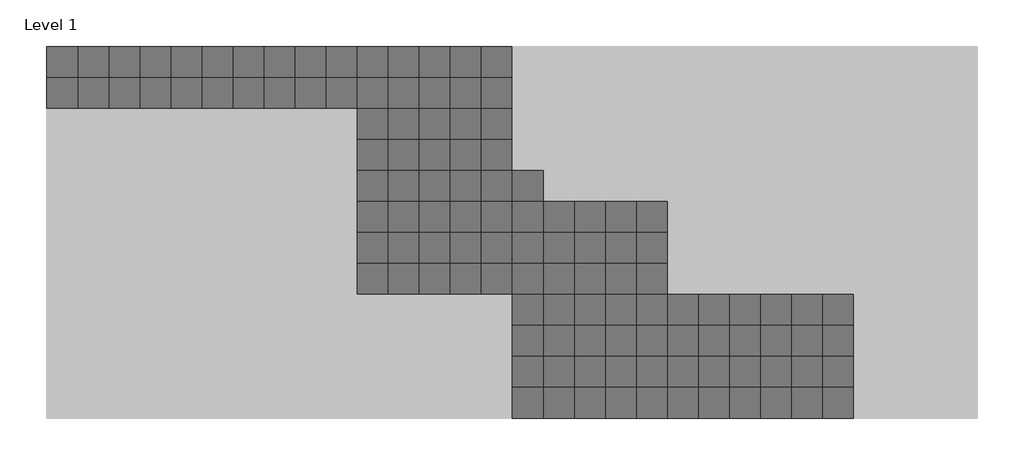
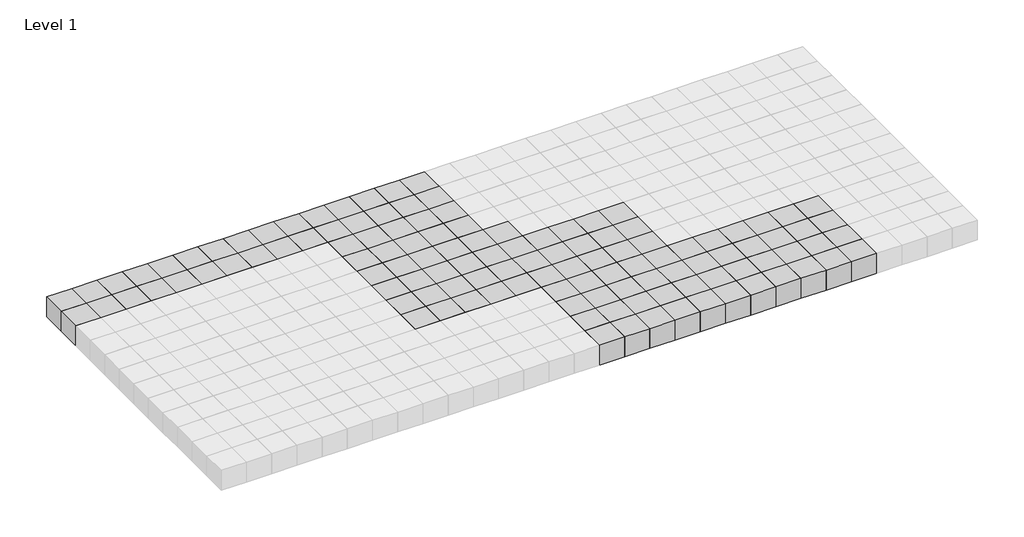
# One storey, part 2 of 3: 120 proxies.
"""IFC4 building model written with IfcOpenShell, lengths in millimetres."""

import ifcopenshell
import ifcopenshell.guid

model = None  # the IFC model being written
_history = None  # IfcOwnerHistory: only IFC2X3 demands one
_inside = {}  # id of a spatial element -> (the spatial element, [elements in it])
_under = {}  # id of a project, library or spatial element -> (it, [spatial elements below it])
_declared = {}  # id of a project -> (the project, [libraries it declares])
_typed = {}  # id of a type object -> (the type object, [elements of that type])
_made_of = {}  # id of a material, layer set ... -> (it, [elements and type objects made of it])


def new_model(schema):
    """Start an empty IFC model of exactly this schema.

    Asked for "IFC4X3", IfcOpenShell would pick the latest addendum, in which some entities
    have other attributes; the version numbers below select the first issue.
    IFC2X3 requires an IfcOwnerHistory on every rooted entity: one is made here for all.
    """
    global model, _history
    if schema == "IFC4X3":
        model = ifcopenshell.file(schema_version=(4, 3, 0, 0))
    else:
        model = ifcopenshell.file(schema=schema)
    _inside.clear()
    _under.clear()
    _declared.clear()
    _typed.clear()
    _made_of.clear()
    _history = None
    if model.schema == "IFC2X3":
        org = make("IfcOrganization", Name="unknown")
        user = make(
            "IfcPersonAndOrganization",
            ThePerson=make("IfcPerson", FamilyName="unknown"),
            TheOrganization=org,
        )
        app = make(
            "IfcApplication",
            ApplicationDeveloper=org,
            Version="unknown",
            ApplicationFullName="unknown",
            ApplicationIdentifier="unknown",
        )
        _history = make(
            "IfcOwnerHistory",
            OwningUser=user,
            OwningApplication=app,
            ChangeAction="ADDED",
            CreationDate=0,
        )
    return model


def make(cls, **values):
    """One entity of the class cls with the attributes given. An attribute that is None is left unset."""
    return model.create_entity(
        cls, **{name: value for name, value in values.items() if value is not None}
    )


def rooted(cls, **values):
    """An entity with a GlobalId (a new one), such as an element, a storey or a relation."""
    return make(cls, GlobalId=ifcopenshell.guid.new(), OwnerHistory=_history, **values)


def si_unit(unit_type, name, prefix=None):
    """IfcSIUnit, for example si_unit("LENGTHUNIT", "METRE", prefix="MILLI")."""
    return make("IfcSIUnit", UnitType=unit_type, Prefix=prefix, Name=name)


def assignment(units):
    """IfcUnitAssignment: the units of a project."""
    return None if units is None else make("IfcUnitAssignment", Units=units)


def point(xyz):
    """IfcCartesianPoint."""
    return None if xyz is None else make("IfcCartesianPoint", Coordinates=xyz)


def direction(xyz):
    """IfcDirection."""
    return None if xyz is None else make("IfcDirection", DirectionRatios=xyz)


def frame(location, z_axis=None, x_axis=None):
    """IfcAxis2Placement3D, a coordinate frame: its origin and axes. An axis left out is left unset."""
    return make(
        "IfcAxis2Placement3D",
        Location=point(location),
        Axis=direction(z_axis),
        RefDirection=direction(x_axis),
    )


def origin():
    """The frame at (0, 0, 0) with its axes left unset."""
    return frame((0.0, 0.0, 0.0))


def origin_with_axes():
    """The frame at (0, 0, 0) with the z axis (0, 0, 1) and the x axis (1, 0, 0) written out."""
    return frame((0.0, 0.0, 0.0), z_axis=(0.0, 0.0, 1.0), x_axis=(1.0, 0.0, 0.0))


def place(relative_to, where):
    """IfcLocalPlacement: puts the frame where relative to a parent placement (None: the world)."""
    return make(
        "IfcLocalPlacement", PlacementRelTo=relative_to, RelativePlacement=where
    )


def context(
    kind, dimensions, precision=None, world=None, true_north=None, identifier=None
):
    """IfcGeometricRepresentationContext, for example the 3D "Model" context."""
    return make(
        "IfcGeometricRepresentationContext",
        ContextIdentifier=identifier,
        ContextType=kind,
        CoordinateSpaceDimension=dimensions,
        Precision=precision,
        WorldCoordinateSystem=world,
        TrueNorth=true_north,
    )


def project(units=None, contexts=None):
    """IfcProject with its units and contexts."""
    return rooted(
        "IfcProject",
        Name="project",
        RepresentationContexts=contexts,
        UnitsInContext=assignment(units),
    )


def spatial(cls, under=None, at=None, **own):
    """A site, building, storey or space (cls), placed at a placement, below another one or the project."""
    s = rooted(cls, ObjectPlacement=at, **own)
    if under is not None:
        _under.setdefault(under.id(), (under, []))[1].append(s)
    return s


def polyline(points):
    """IfcPolyline through the points."""
    return make("IfcPolyline", Points=[point(p) for p in points])


def outline(outer, holes=None, kind="AREA"):
    """IfcArbitraryClosedProfileDef: a profile drawn as a closed curve; with holes, ...WithVoids."""
    if holes is None:
        return make("IfcArbitraryClosedProfileDef", ProfileType=kind, OuterCurve=outer)
    return make(
        "IfcArbitraryProfileDefWithVoids",
        ProfileType=kind,
        OuterCurve=outer,
        InnerCurves=holes,
    )


def extrude(swept, where, along, depth):
    """IfcExtrudedAreaSolid: the profile swept, set in the frame where, extruded along a direction by depth."""
    return make(
        "IfcExtrudedAreaSolid",
        SweptArea=swept,
        Position=where,
        ExtrudedDirection=direction(along),
        Depth=depth,
    )


def shape(context_of_items, identifier, shape_type, items):
    """IfcShapeRepresentation: the items that make up one representation, for example the "Body"."""
    return make(
        "IfcShapeRepresentation",
        ContextOfItems=context_of_items,
        RepresentationIdentifier=identifier,
        RepresentationType=shape_type,
        Items=items,
    )


def source(mapping_origin, context_of_items, identifier, shape_type, items):
    """IfcRepresentationMap: a shape defined once, which mapped items show again and again."""
    return make(
        "IfcRepresentationMap",
        MappingOrigin=mapping_origin,
        MappedRepresentation=shape(context_of_items, identifier, shape_type, items),
    )


def transform(
    local_origin,
    x_axis=None,
    y_axis=None,
    z_axis=None,
    scale=None,
    scale2=None,
    scale3=None,
    uniform=True,
):
    """IfcCartesianTransformationOperator3D, or its non-uniform kind. x_axis, y_axis, z_axis: its Axis1, 2, 3."""
    if uniform:
        return make(
            "IfcCartesianTransformationOperator3D",
            Axis1=direction(x_axis),
            Axis2=direction(y_axis),
            LocalOrigin=point(local_origin),
            Scale=scale,
            Axis3=direction(z_axis),
        )
    return make(
        "IfcCartesianTransformationOperator3DnonUniform",
        Axis1=direction(x_axis),
        Axis2=direction(y_axis),
        LocalOrigin=point(local_origin),
        Scale=scale,
        Axis3=direction(z_axis),
        Scale2=scale2,
        Scale3=scale3,
    )


def mapped(mapping_source, mapping_target):
    """IfcMappedItem: shows the shape of a source again, moved by a transform."""
    return make(
        "IfcMappedItem", MappingSource=mapping_source, MappingTarget=mapping_target
    )


def made_of(thing, what):
    """Note that an element or type object is made of a material, layer set ...; save() writes the relation."""
    if what is not None:
        _made_of.setdefault(what.id(), (what, []))[1].append(thing)
    return thing


def element(
    cls,
    number,
    at=None,
    inside=None,
    cuts=None,
    type_object=None,
    material=None,
    context=None,
    identifier="Body",
    shape_type=None,
    held_by="IfcProductDefinitionShape",
    body=None,
    shapes=None,
    **own,
):
    """One element of the class cls, such as IfcWall. Its Tag is "e" and its number.

    at: its placement. inside: the storey or other place that contains it. cuts: it is an
    opening in that element (IfcRelVoidsElement). A single representation is given by context,
    identifier, shape_type and body (its items); several are given by shapes. held_by: the class
    of the entity that holds the representations. save() writes the other relations.
    """
    e = rooted(cls, Tag="e%d" % number, ObjectPlacement=at, **own)
    if body is not None:
        shapes = [shape(context, identifier, shape_type, body)]
    if shapes is not None:
        e.Representation = make(held_by, Representations=shapes)
    if inside is not None:
        _inside.setdefault(inside.id(), (inside, []))[1].append(e)
    if cuts is not None:
        rooted(
            "IfcRelVoidsElement", RelatingBuildingElement=cuts, RelatedOpeningElement=e
        )
    if type_object is not None:
        _typed.setdefault(type_object.id(), (type_object, []))[1].append(e)
    return made_of(e, material)


def aggregate(whole, parts):
    """IfcRelAggregates: a whole, such as a stair, and the parts it consists of."""
    return rooted("IfcRelAggregates", RelatingObject=whole, RelatedObjects=parts)


def save(model, path):
    """Write the relations noted so far, then the file.

    IfcRelAggregates (storeys below a building ...), IfcRelContainedInSpatialStructure (elements
    in a storey), IfcRelDefinesByType, IfcRelAssociatesMaterial and IfcRelDeclares: one each for
    every whole, place, type object, material and project.
    """
    for whole, parts in _under.values():
        aggregate(whole, parts)
    for where, things in _inside.values():
        rooted(
            "IfcRelContainedInSpatialStructure",
            RelatedElements=things,
            RelatingStructure=where,
        )
    for kind, things in _typed.values():
        rooted("IfcRelDefinesByType", RelatedObjects=things, RelatingType=kind)
    for what, things in _made_of.values():
        rooted("IfcRelAssociatesMaterial", RelatedObjects=things, RelatingMaterial=what)
    for by, libraries in _declared.values():
        rooted("IfcRelDeclares", RelatingContext=by, RelatedDefinitions=libraries)
    model.write(path)


def family1_family1_3ff121e7(model_context):
    return source(origin(), model_context, "Body", "SweptSolid", [
        extrude(outline(polyline([(1500.0, 1500.0), (1500.0, -1500.0), (-1500.0, -1500.0), (-1500.0, 1500.0), (1500.0, 1500.0)])), origin_with_axes(), (0.0, 0.0, 1.0), 2500.0),
    ])


model = new_model("IFC4")

# Units and contexts
model_context = context("Model", 3, world=origin())
ifc_project = project(units=[si_unit("LENGTHUNIT", "METRE", prefix="MILLI")], contexts=[model_context])

# Site, building, storey
site = spatial("IfcSite", under=ifc_project)
building = spatial("IfcBuilding", under=site)
storey = spatial("IfcBuildingStorey", under=building, Name="Level 1", Elevation=0.0)

# Proxies
placement = place(None, origin())
family1_family1_shape = family1_family1_3ff121e7(model_context)
element("IfcBuildingElementProxy", 1, Name="Family1 : Family1", ObjectType="Family1 : Family1", at=placement, inside=storey, context=model_context, shape_type="MappedRepresentation", body=[
    mapped(family1_family1_shape, transform((1230.8235721, 4214.6480914, 0.0), x_axis=(1.0, 0.0, 0.0), y_axis=(0.0, 1.0, 0.0), z_axis=(0.0, 0.0, 1.0))),
])
element("IfcBuildingElementProxy", 2, Name="Family1 : Family1", ObjectType="Family1 : Family1", at=placement, inside=storey, context=model_context, shape_type="MappedRepresentation", body=[
    mapped(family1_family1_shape, transform((4230.8235721, 4214.6480914, 0.0), x_axis=(1.0, 0.0, 0.0), y_axis=(0.0, 1.0, 0.0), z_axis=(0.0, 0.0, 1.0))),
])
element("IfcBuildingElementProxy", 3, Name="Family1 : Family1", ObjectType="Family1 : Family1", at=placement, inside=storey, context=model_context, shape_type="MappedRepresentation", body=[
    mapped(family1_family1_shape, transform((7230.8235721, 4214.6480914, 0.0), x_axis=(1.0, 0.0, 0.0), y_axis=(0.0, 1.0, 0.0), z_axis=(0.0, 0.0, 1.0))),
])
element("IfcBuildingElementProxy", 4, Name="Family1 : Family1", ObjectType="Family1 : Family1", at=placement, inside=storey, context=model_context, shape_type="MappedRepresentation", body=[
    mapped(family1_family1_shape, transform((10230.8235721, 4214.6480914, 0.0), x_axis=(1.0, 0.0, 0.0), y_axis=(0.0, 1.0, 0.0), z_axis=(0.0, 0.0, 1.0))),
])
element("IfcBuildingElementProxy", 5, Name="Family1 : Family1", ObjectType="Family1 : Family1", at=placement, inside=storey, context=model_context, shape_type="MappedRepresentation", body=[
    mapped(family1_family1_shape, transform((13230.8235721, 4214.6480914, 0.0), x_axis=(1.0, 0.0, 0.0), y_axis=(0.0, 1.0, 0.0), z_axis=(0.0, 0.0, 1.0))),
])
element("IfcBuildingElementProxy", 6, Name="Family1 : Family1", ObjectType="Family1 : Family1", at=placement, inside=storey, context=model_context, shape_type="MappedRepresentation", body=[
    mapped(family1_family1_shape, transform((16230.8235721, 4214.6480914, 0.0), x_axis=(1.0, 0.0, 0.0), y_axis=(0.0, 1.0, 0.0), z_axis=(0.0, 0.0, 1.0))),
])
element("IfcBuildingElementProxy", 7, Name="Family1 : Family1", ObjectType="Family1 : Family1", at=placement, inside=storey, context=model_context, shape_type="MappedRepresentation", body=[
    mapped(family1_family1_shape, transform((19230.8235721, 4214.6480914, 0.0), x_axis=(1.0, 0.0, 0.0), y_axis=(0.0, 1.0, 0.0), z_axis=(0.0, 0.0, 1.0))),
])
element("IfcBuildingElementProxy", 8, Name="Family1 : Family1", ObjectType="Family1 : Family1", at=placement, inside=storey, context=model_context, shape_type="MappedRepresentation", body=[
    mapped(family1_family1_shape, transform((22230.8235721, 4214.6480914, 0.0), x_axis=(1.0, 0.0, 0.0), y_axis=(0.0, 1.0, 0.0), z_axis=(0.0, 0.0, 1.0))),
])
element("IfcBuildingElementProxy", 9, Name="Family1 : Family1", ObjectType="Family1 : Family1", at=placement, inside=storey, context=model_context, shape_type="MappedRepresentation", body=[
    mapped(family1_family1_shape, transform((25230.8235721, 4214.6480914, 0.0), x_axis=(1.0, 0.0, 0.0), y_axis=(0.0, 1.0, 0.0), z_axis=(0.0, 0.0, 1.0))),
])
element("IfcBuildingElementProxy", 10, Name="Family1 : Family1", ObjectType="Family1 : Family1", at=placement, inside=storey, context=model_context, shape_type="MappedRepresentation", body=[
    mapped(family1_family1_shape, transform((28230.8235721, 4214.6480914, 0.0), x_axis=(1.0, 0.0, 0.0), y_axis=(0.0, 1.0, 0.0), z_axis=(0.0, 0.0, 1.0))),
])
element("IfcBuildingElementProxy", 11, Name="Family1 : Family1", ObjectType="Family1 : Family1", at=placement, inside=storey, context=model_context, shape_type="MappedRepresentation", body=[
    mapped(family1_family1_shape, transform((31230.8235721, 4214.6480914, 0.0), x_axis=(1.0, 0.0, 0.0), y_axis=(0.0, 1.0, 0.0), z_axis=(0.0, 0.0, 1.0))),
])
element("IfcBuildingElementProxy", 12, Name="Family1 : Family1", ObjectType="Family1 : Family1", at=placement, inside=storey, context=model_context, shape_type="MappedRepresentation", body=[
    mapped(family1_family1_shape, transform((1230.8235721, 7214.6480914, 0.0), x_axis=(1.0, 0.0, 0.0), y_axis=(0.0, 1.0, 0.0), z_axis=(0.0, 0.0, 1.0))),
])
element("IfcBuildingElementProxy", 13, Name="Family1 : Family1", ObjectType="Family1 : Family1", at=placement, inside=storey, context=model_context, shape_type="MappedRepresentation", body=[
    mapped(family1_family1_shape, transform((4230.8235721, 7214.6480914, 0.0), x_axis=(1.0, 0.0, 0.0), y_axis=(0.0, 1.0, 0.0), z_axis=(0.0, 0.0, 1.0))),
])
element("IfcBuildingElementProxy", 14, Name="Family1 : Family1", ObjectType="Family1 : Family1", at=placement, inside=storey, context=model_context, shape_type="MappedRepresentation", body=[
    mapped(family1_family1_shape, transform((7230.8235721, 7214.6480914, 0.0), x_axis=(1.0, 0.0, 0.0), y_axis=(0.0, 1.0, 0.0), z_axis=(0.0, 0.0, 1.0))),
])
element("IfcBuildingElementProxy", 15, Name="Family1 : Family1", ObjectType="Family1 : Family1", at=placement, inside=storey, context=model_context, shape_type="MappedRepresentation", body=[
    mapped(family1_family1_shape, transform((10230.8235721, 7214.6480914, 0.0), x_axis=(1.0, 0.0, 0.0), y_axis=(0.0, 1.0, 0.0), z_axis=(0.0, 0.0, 1.0))),
])
element("IfcBuildingElementProxy", 16, Name="Family1 : Family1", ObjectType="Family1 : Family1", at=placement, inside=storey, context=model_context, shape_type="MappedRepresentation", body=[
    mapped(family1_family1_shape, transform((13230.8235721, 7214.6480914, 0.0), x_axis=(1.0, 0.0, 0.0), y_axis=(0.0, 1.0, 0.0), z_axis=(0.0, 0.0, 1.0))),
])
element("IfcBuildingElementProxy", 17, Name="Family1 : Family1", ObjectType="Family1 : Family1", at=placement, inside=storey, context=model_context, shape_type="MappedRepresentation", body=[
    mapped(family1_family1_shape, transform((16230.8235721, 7214.6480914, 0.0), x_axis=(1.0, 0.0, 0.0), y_axis=(0.0, 1.0, 0.0), z_axis=(0.0, 0.0, 1.0))),
])
element("IfcBuildingElementProxy", 18, Name="Family1 : Family1", ObjectType="Family1 : Family1", at=placement, inside=storey, context=model_context, shape_type="MappedRepresentation", body=[
    mapped(family1_family1_shape, transform((19230.8235721, 7214.6480914, 0.0), x_axis=(1.0, 0.0, 0.0), y_axis=(0.0, 1.0, 0.0), z_axis=(0.0, 0.0, 1.0))),
])
element("IfcBuildingElementProxy", 19, Name="Family1 : Family1", ObjectType="Family1 : Family1", at=placement, inside=storey, context=model_context, shape_type="MappedRepresentation", body=[
    mapped(family1_family1_shape, transform((22230.8235721, 7214.6480914, 0.0), x_axis=(1.0, 0.0, 0.0), y_axis=(0.0, 1.0, 0.0), z_axis=(0.0, 0.0, 1.0))),
])
element("IfcBuildingElementProxy", 20, Name="Family1 : Family1", ObjectType="Family1 : Family1", at=placement, inside=storey, context=model_context, shape_type="MappedRepresentation", body=[
    mapped(family1_family1_shape, transform((25230.8235721, 7214.6480914, 0.0), x_axis=(1.0, 0.0, 0.0), y_axis=(0.0, 1.0, 0.0), z_axis=(0.0, 0.0, 1.0))),
])
element("IfcBuildingElementProxy", 21, Name="Family1 : Family1", ObjectType="Family1 : Family1", at=placement, inside=storey, context=model_context, shape_type="MappedRepresentation", body=[
    mapped(family1_family1_shape, transform((28230.8235721, 7214.6480914, 0.0), x_axis=(1.0, 0.0, 0.0), y_axis=(0.0, 1.0, 0.0), z_axis=(0.0, 0.0, 1.0))),
])
element("IfcBuildingElementProxy", 22, Name="Family1 : Family1", ObjectType="Family1 : Family1", at=placement, inside=storey, context=model_context, shape_type="MappedRepresentation", body=[
    mapped(family1_family1_shape, transform((31230.8235721, 7214.6480914, 0.0), x_axis=(1.0, 0.0, 0.0), y_axis=(0.0, 1.0, 0.0), z_axis=(0.0, 0.0, 1.0))),
])
element("IfcBuildingElementProxy", 23, Name="Family1 : Family1", ObjectType="Family1 : Family1", at=placement, inside=storey, context=model_context, shape_type="MappedRepresentation", body=[
    mapped(family1_family1_shape, transform((1230.8235721, 10214.6480914, 0.0), x_axis=(1.0, 0.0, 0.0), y_axis=(0.0, 1.0, 0.0), z_axis=(0.0, 0.0, 1.0))),
])
element("IfcBuildingElementProxy", 24, Name="Family1 : Family1", ObjectType="Family1 : Family1", at=placement, inside=storey, context=model_context, shape_type="MappedRepresentation", body=[
    mapped(family1_family1_shape, transform((4230.8235721, 10214.6480914, 0.0), x_axis=(1.0, 0.0, 0.0), y_axis=(0.0, 1.0, 0.0), z_axis=(0.0, 0.0, 1.0))),
])
element("IfcBuildingElementProxy", 25, Name="Family1 : Family1", ObjectType="Family1 : Family1", at=placement, inside=storey, context=model_context, shape_type="MappedRepresentation", body=[
    mapped(family1_family1_shape, transform((7230.8235721, 10214.6480914, 0.0), x_axis=(1.0, 0.0, 0.0), y_axis=(0.0, 1.0, 0.0), z_axis=(0.0, 0.0, 1.0))),
])
element("IfcBuildingElementProxy", 26, Name="Family1 : Family1", ObjectType="Family1 : Family1", at=placement, inside=storey, context=model_context, shape_type="MappedRepresentation", body=[
    mapped(family1_family1_shape, transform((10230.8235721, 10214.6480914, 0.0), x_axis=(1.0, 0.0, 0.0), y_axis=(0.0, 1.0, 0.0), z_axis=(0.0, 0.0, 1.0))),
])
element("IfcBuildingElementProxy", 27, Name="Family1 : Family1", ObjectType="Family1 : Family1", at=placement, inside=storey, context=model_context, shape_type="MappedRepresentation", body=[
    mapped(family1_family1_shape, transform((13230.8235721, 10214.6480914, 0.0), x_axis=(1.0, 0.0, 0.0), y_axis=(0.0, 1.0, 0.0), z_axis=(0.0, 0.0, 1.0))),
])
element("IfcBuildingElementProxy", 28, Name="Family1 : Family1", ObjectType="Family1 : Family1", at=placement, inside=storey, context=model_context, shape_type="MappedRepresentation", body=[
    mapped(family1_family1_shape, transform((16230.8235721, 10214.6480914, 0.0), x_axis=(1.0, 0.0, 0.0), y_axis=(0.0, 1.0, 0.0), z_axis=(0.0, 0.0, 1.0))),
])
element("IfcBuildingElementProxy", 29, Name="Family1 : Family1", ObjectType="Family1 : Family1", at=placement, inside=storey, context=model_context, shape_type="MappedRepresentation", body=[
    mapped(family1_family1_shape, transform((19230.8235721, 10214.6480914, 0.0), x_axis=(1.0, 0.0, 0.0), y_axis=(0.0, 1.0, 0.0), z_axis=(0.0, 0.0, 1.0))),
])
element("IfcBuildingElementProxy", 30, Name="Family1 : Family1", ObjectType="Family1 : Family1", at=placement, inside=storey, context=model_context, shape_type="MappedRepresentation", body=[
    mapped(family1_family1_shape, transform((22230.8235721, 10214.6480914, 0.0), x_axis=(1.0, 0.0, 0.0), y_axis=(0.0, 1.0, 0.0), z_axis=(0.0, 0.0, 1.0))),
])
element("IfcBuildingElementProxy", 31, Name="Family1 : Family1", ObjectType="Family1 : Family1", at=placement, inside=storey, context=model_context, shape_type="MappedRepresentation", body=[
    mapped(family1_family1_shape, transform((25230.8235721, 10214.6480914, 0.0), x_axis=(1.0, 0.0, 0.0), y_axis=(0.0, 1.0, 0.0), z_axis=(0.0, 0.0, 1.0))),
])
element("IfcBuildingElementProxy", 32, Name="Family1 : Family1", ObjectType="Family1 : Family1", at=placement, inside=storey, context=model_context, shape_type="MappedRepresentation", body=[
    mapped(family1_family1_shape, transform((28230.8235721, 10214.6480914, 0.0), x_axis=(1.0, 0.0, 0.0), y_axis=(0.0, 1.0, 0.0), z_axis=(0.0, 0.0, 1.0))),
])
element("IfcBuildingElementProxy", 33, Name="Family1 : Family1", ObjectType="Family1 : Family1", at=placement, inside=storey, context=model_context, shape_type="MappedRepresentation", body=[
    mapped(family1_family1_shape, transform((31230.8235721, 10214.6480914, 0.0), x_axis=(1.0, 0.0, 0.0), y_axis=(0.0, 1.0, 0.0), z_axis=(0.0, 0.0, 1.0))),
])
element("IfcBuildingElementProxy", 34, Name="Family1 : Family1", ObjectType="Family1 : Family1", at=placement, inside=storey, context=model_context, shape_type="MappedRepresentation", body=[
    mapped(family1_family1_shape, transform((1230.8235721, 13214.6480914, 0.0), x_axis=(1.0, 0.0, 0.0), y_axis=(0.0, 1.0, 0.0), z_axis=(0.0, 0.0, 1.0))),
])
element("IfcBuildingElementProxy", 35, Name="Family1 : Family1", ObjectType="Family1 : Family1", at=placement, inside=storey, context=model_context, shape_type="MappedRepresentation", body=[
    mapped(family1_family1_shape, transform((4230.8235721, 13214.6480914, 0.0), x_axis=(1.0, 0.0, 0.0), y_axis=(0.0, 1.0, 0.0), z_axis=(0.0, 0.0, 1.0))),
])
element("IfcBuildingElementProxy", 36, Name="Family1 : Family1", ObjectType="Family1 : Family1", at=placement, inside=storey, context=model_context, shape_type="MappedRepresentation", body=[
    mapped(family1_family1_shape, transform((7230.8235721, 13214.6480914, 0.0), x_axis=(1.0, 0.0, 0.0), y_axis=(0.0, 1.0, 0.0), z_axis=(0.0, 0.0, 1.0))),
])
element("IfcBuildingElementProxy", 37, Name="Family1 : Family1", ObjectType="Family1 : Family1", at=placement, inside=storey, context=model_context, shape_type="MappedRepresentation", body=[
    mapped(family1_family1_shape, transform((10230.8235721, 13214.6480914, 0.0), x_axis=(1.0, 0.0, 0.0), y_axis=(0.0, 1.0, 0.0), z_axis=(0.0, 0.0, 1.0))),
])
element("IfcBuildingElementProxy", 38, Name="Family1 : Family1", ObjectType="Family1 : Family1", at=placement, inside=storey, context=model_context, shape_type="MappedRepresentation", body=[
    mapped(family1_family1_shape, transform((13230.8235721, 13214.6480914, 0.0), x_axis=(1.0, 0.0, 0.0), y_axis=(0.0, 1.0, 0.0), z_axis=(0.0, 0.0, 1.0))),
])
element("IfcBuildingElementProxy", 39, Name="Family1 : Family1", ObjectType="Family1 : Family1", at=placement, inside=storey, context=model_context, shape_type="MappedRepresentation", body=[
    mapped(family1_family1_shape, transform((16230.8235721, 13214.6480914, 0.0), x_axis=(1.0, 0.0, 0.0), y_axis=(0.0, 1.0, 0.0), z_axis=(0.0, 0.0, 1.0))),
])
element("IfcBuildingElementProxy", 40, Name="Family1 : Family1", ObjectType="Family1 : Family1", at=placement, inside=storey, context=model_context, shape_type="MappedRepresentation", body=[
    mapped(family1_family1_shape, transform((19230.8235721, 13214.6480914, 0.0), x_axis=(1.0, 0.0, 0.0), y_axis=(0.0, 1.0, 0.0), z_axis=(0.0, 0.0, 1.0))),
])
element("IfcBuildingElementProxy", 41, Name="Family1 : Family1", ObjectType="Family1 : Family1", at=placement, inside=storey, context=model_context, shape_type="MappedRepresentation", body=[
    mapped(family1_family1_shape, transform((22230.8235721, 13214.6480914, 0.0), x_axis=(1.0, 0.0, 0.0), y_axis=(0.0, 1.0, 0.0), z_axis=(0.0, 0.0, 1.0))),
])
element("IfcBuildingElementProxy", 42, Name="Family1 : Family1", ObjectType="Family1 : Family1", at=placement, inside=storey, context=model_context, shape_type="MappedRepresentation", body=[
    mapped(family1_family1_shape, transform((25230.8235721, 13214.6480914, 0.0), x_axis=(1.0, 0.0, 0.0), y_axis=(0.0, 1.0, 0.0), z_axis=(0.0, 0.0, 1.0))),
])
element("IfcBuildingElementProxy", 43, Name="Family1 : Family1", ObjectType="Family1 : Family1", at=placement, inside=storey, context=model_context, shape_type="MappedRepresentation", body=[
    mapped(family1_family1_shape, transform((28230.8235721, 13214.6480914, 0.0), x_axis=(1.0, 0.0, 0.0), y_axis=(0.0, 1.0, 0.0), z_axis=(0.0, 0.0, 1.0))),
])
element("IfcBuildingElementProxy", 44, Name="Family1 : Family1", ObjectType="Family1 : Family1", at=placement, inside=storey, context=model_context, shape_type="MappedRepresentation", body=[
    mapped(family1_family1_shape, transform((31230.8235721, 13214.6480914, 0.0), x_axis=(1.0, 0.0, 0.0), y_axis=(0.0, 1.0, 0.0), z_axis=(0.0, 0.0, 1.0))),
])
element("IfcBuildingElementProxy", 45, Name="Family1 : Family1", ObjectType="Family1 : Family1", at=placement, inside=storey, context=model_context, shape_type="MappedRepresentation", body=[
    mapped(family1_family1_shape, transform((-13769.1764279, 16214.6480914, 0.0), x_axis=(1.0, 0.0, 0.0), y_axis=(0.0, 1.0, 0.0), z_axis=(0.0, 0.0, 1.0))),
])
element("IfcBuildingElementProxy", 46, Name="Family1 : Family1", ObjectType="Family1 : Family1", at=placement, inside=storey, context=model_context, shape_type="MappedRepresentation", body=[
    mapped(family1_family1_shape, transform((-10769.1764279, 16214.6480914, 0.0), x_axis=(1.0, 0.0, 0.0), y_axis=(0.0, 1.0, 0.0), z_axis=(0.0, 0.0, 1.0))),
])
element("IfcBuildingElementProxy", 47, Name="Family1 : Family1", ObjectType="Family1 : Family1", at=placement, inside=storey, context=model_context, shape_type="MappedRepresentation", body=[
    mapped(family1_family1_shape, transform((-7769.1764279, 16214.6480914, 0.0), x_axis=(1.0, 0.0, 0.0), y_axis=(0.0, 1.0, 0.0), z_axis=(0.0, 0.0, 1.0))),
])
element("IfcBuildingElementProxy", 48, Name="Family1 : Family1", ObjectType="Family1 : Family1", at=placement, inside=storey, context=model_context, shape_type="MappedRepresentation", body=[
    mapped(family1_family1_shape, transform((-4769.1764279, 16214.6480914, 0.0), x_axis=(1.0, 0.0, 0.0), y_axis=(0.0, 1.0, 0.0), z_axis=(0.0, 0.0, 1.0))),
])
element("IfcBuildingElementProxy", 49, Name="Family1 : Family1", ObjectType="Family1 : Family1", at=placement, inside=storey, context=model_context, shape_type="MappedRepresentation", body=[
    mapped(family1_family1_shape, transform((-1769.1764279, 16214.6480914, 0.0), x_axis=(1.0, 0.0, 0.0), y_axis=(0.0, 1.0, 0.0), z_axis=(0.0, 0.0, 1.0))),
])
element("IfcBuildingElementProxy", 50, Name="Family1 : Family1", ObjectType="Family1 : Family1", at=placement, inside=storey, context=model_context, shape_type="MappedRepresentation", body=[
    mapped(family1_family1_shape, transform((1230.8235721, 16214.6480914, 0.0), x_axis=(1.0, 0.0, 0.0), y_axis=(0.0, 1.0, 0.0), z_axis=(0.0, 0.0, 1.0))),
])
element("IfcBuildingElementProxy", 51, Name="Family1 : Family1", ObjectType="Family1 : Family1", at=placement, inside=storey, context=model_context, shape_type="MappedRepresentation", body=[
    mapped(family1_family1_shape, transform((4230.8235721, 16214.6480914, 0.0), x_axis=(1.0, 0.0, 0.0), y_axis=(0.0, 1.0, 0.0), z_axis=(0.0, 0.0, 1.0))),
])
element("IfcBuildingElementProxy", 52, Name="Family1 : Family1", ObjectType="Family1 : Family1", at=placement, inside=storey, context=model_context, shape_type="MappedRepresentation", body=[
    mapped(family1_family1_shape, transform((7230.8235721, 16214.6480914, 0.0), x_axis=(1.0, 0.0, 0.0), y_axis=(0.0, 1.0, 0.0), z_axis=(0.0, 0.0, 1.0))),
])
element("IfcBuildingElementProxy", 53, Name="Family1 : Family1", ObjectType="Family1 : Family1", at=placement, inside=storey, context=model_context, shape_type="MappedRepresentation", body=[
    mapped(family1_family1_shape, transform((10230.8235721, 16214.6480914, 0.0), x_axis=(1.0, 0.0, 0.0), y_axis=(0.0, 1.0, 0.0), z_axis=(0.0, 0.0, 1.0))),
])
element("IfcBuildingElementProxy", 54, Name="Family1 : Family1", ObjectType="Family1 : Family1", at=placement, inside=storey, context=model_context, shape_type="MappedRepresentation", body=[
    mapped(family1_family1_shape, transform((13230.8235721, 16214.6480914, 0.0), x_axis=(1.0, 0.0, 0.0), y_axis=(0.0, 1.0, 0.0), z_axis=(0.0, 0.0, 1.0))),
])
element("IfcBuildingElementProxy", 55, Name="Family1 : Family1", ObjectType="Family1 : Family1", at=placement, inside=storey, context=model_context, shape_type="MappedRepresentation", body=[
    mapped(family1_family1_shape, transform((-13769.1764279, 19214.6480914, 0.0), x_axis=(1.0, 0.0, 0.0), y_axis=(0.0, 1.0, 0.0), z_axis=(0.0, 0.0, 1.0))),
])
element("IfcBuildingElementProxy", 56, Name="Family1 : Family1", ObjectType="Family1 : Family1", at=placement, inside=storey, context=model_context, shape_type="MappedRepresentation", body=[
    mapped(family1_family1_shape, transform((-10769.1764279, 19214.6480914, 0.0), x_axis=(1.0, 0.0, 0.0), y_axis=(0.0, 1.0, 0.0), z_axis=(0.0, 0.0, 1.0))),
])
element("IfcBuildingElementProxy", 57, Name="Family1 : Family1", ObjectType="Family1 : Family1", at=placement, inside=storey, context=model_context, shape_type="MappedRepresentation", body=[
    mapped(family1_family1_shape, transform((-7769.1764279, 19214.6480914, 0.0), x_axis=(1.0, 0.0, 0.0), y_axis=(0.0, 1.0, 0.0), z_axis=(0.0, 0.0, 1.0))),
])
element("IfcBuildingElementProxy", 58, Name="Family1 : Family1", ObjectType="Family1 : Family1", at=placement, inside=storey, context=model_context, shape_type="MappedRepresentation", body=[
    mapped(family1_family1_shape, transform((-4769.1764279, 19214.6480914, 0.0), x_axis=(1.0, 0.0, 0.0), y_axis=(0.0, 1.0, 0.0), z_axis=(0.0, 0.0, 1.0))),
])
element("IfcBuildingElementProxy", 59, Name="Family1 : Family1", ObjectType="Family1 : Family1", at=placement, inside=storey, context=model_context, shape_type="MappedRepresentation", body=[
    mapped(family1_family1_shape, transform((-1769.1764279, 19214.6480914, 0.0), x_axis=(1.0, 0.0, 0.0), y_axis=(0.0, 1.0, 0.0), z_axis=(0.0, 0.0, 1.0))),
])
element("IfcBuildingElementProxy", 60, Name="Family1 : Family1", ObjectType="Family1 : Family1", at=placement, inside=storey, context=model_context, shape_type="MappedRepresentation", body=[
    mapped(family1_family1_shape, transform((1230.8235721, 19214.6480914, 0.0), x_axis=(1.0, 0.0, 0.0), y_axis=(0.0, 1.0, 0.0), z_axis=(0.0, 0.0, 1.0))),
])
element("IfcBuildingElementProxy", 61, Name="Family1 : Family1", ObjectType="Family1 : Family1", at=placement, inside=storey, context=model_context, shape_type="MappedRepresentation", body=[
    mapped(family1_family1_shape, transform((4230.8235721, 19214.6480914, 0.0), x_axis=(1.0, 0.0, 0.0), y_axis=(0.0, 1.0, 0.0), z_axis=(0.0, 0.0, 1.0))),
])
element("IfcBuildingElementProxy", 62, Name="Family1 : Family1", ObjectType="Family1 : Family1", at=placement, inside=storey, context=model_context, shape_type="MappedRepresentation", body=[
    mapped(family1_family1_shape, transform((7230.8235721, 19214.6480914, 0.0), x_axis=(1.0, 0.0, 0.0), y_axis=(0.0, 1.0, 0.0), z_axis=(0.0, 0.0, 1.0))),
])
element("IfcBuildingElementProxy", 63, Name="Family1 : Family1", ObjectType="Family1 : Family1", at=placement, inside=storey, context=model_context, shape_type="MappedRepresentation", body=[
    mapped(family1_family1_shape, transform((10230.8235721, 19214.6480914, 0.0), x_axis=(1.0, 0.0, 0.0), y_axis=(0.0, 1.0, 0.0), z_axis=(0.0, 0.0, 1.0))),
])
element("IfcBuildingElementProxy", 64, Name="Family1 : Family1", ObjectType="Family1 : Family1", at=placement, inside=storey, context=model_context, shape_type="MappedRepresentation", body=[
    mapped(family1_family1_shape, transform((13230.8235721, 19214.6480914, 0.0), x_axis=(1.0, 0.0, 0.0), y_axis=(0.0, 1.0, 0.0), z_axis=(0.0, 0.0, 1.0))),
])
element("IfcBuildingElementProxy", 65, Name="Family1 : Family1", ObjectType="Family1 : Family1", at=placement, inside=storey, context=model_context, shape_type="MappedRepresentation", body=[
    mapped(family1_family1_shape, transform((-13769.1764279, 22214.6480914, 0.0), x_axis=(1.0, 0.0, 0.0), y_axis=(0.0, 1.0, 0.0), z_axis=(0.0, 0.0, 1.0))),
])
element("IfcBuildingElementProxy", 66, Name="Family1 : Family1", ObjectType="Family1 : Family1", at=placement, inside=storey, context=model_context, shape_type="MappedRepresentation", body=[
    mapped(family1_family1_shape, transform((-10769.1764279, 22214.6480914, 0.0), x_axis=(1.0, 0.0, 0.0), y_axis=(0.0, 1.0, 0.0), z_axis=(0.0, 0.0, 1.0))),
])
element("IfcBuildingElementProxy", 67, Name="Family1 : Family1", ObjectType="Family1 : Family1", at=placement, inside=storey, context=model_context, shape_type="MappedRepresentation", body=[
    mapped(family1_family1_shape, transform((-7769.1764279, 22214.6480914, 0.0), x_axis=(1.0, 0.0, 0.0), y_axis=(0.0, 1.0, 0.0), z_axis=(0.0, 0.0, 1.0))),
])
element("IfcBuildingElementProxy", 68, Name="Family1 : Family1", ObjectType="Family1 : Family1", at=placement, inside=storey, context=model_context, shape_type="MappedRepresentation", body=[
    mapped(family1_family1_shape, transform((-4769.1764279, 22214.6480914, 0.0), x_axis=(1.0, 0.0, 0.0), y_axis=(0.0, 1.0, 0.0), z_axis=(0.0, 0.0, 1.0))),
])
element("IfcBuildingElementProxy", 69, Name="Family1 : Family1", ObjectType="Family1 : Family1", at=placement, inside=storey, context=model_context, shape_type="MappedRepresentation", body=[
    mapped(family1_family1_shape, transform((-1769.1764279, 22214.6480914, 0.0), x_axis=(1.0, 0.0, 0.0), y_axis=(0.0, 1.0, 0.0), z_axis=(0.0, 0.0, 1.0))),
])
element("IfcBuildingElementProxy", 70, Name="Family1 : Family1", ObjectType="Family1 : Family1", at=placement, inside=storey, context=model_context, shape_type="MappedRepresentation", body=[
    mapped(family1_family1_shape, transform((1230.8235721, 22214.6480914, 0.0), x_axis=(1.0, 0.0, 0.0), y_axis=(0.0, 1.0, 0.0), z_axis=(0.0, 0.0, 1.0))),
])
element("IfcBuildingElementProxy", 71, Name="Family1 : Family1", ObjectType="Family1 : Family1", at=placement, inside=storey, context=model_context, shape_type="MappedRepresentation", body=[
    mapped(family1_family1_shape, transform((4230.8235721, 22214.6480914, 0.0), x_axis=(1.0, 0.0, 0.0), y_axis=(0.0, 1.0, 0.0), z_axis=(0.0, 0.0, 1.0))),
])
element("IfcBuildingElementProxy", 72, Name="Family1 : Family1", ObjectType="Family1 : Family1", at=placement, inside=storey, context=model_context, shape_type="MappedRepresentation", body=[
    mapped(family1_family1_shape, transform((7230.8235721, 22214.6480914, 0.0), x_axis=(1.0, 0.0, 0.0), y_axis=(0.0, 1.0, 0.0), z_axis=(0.0, 0.0, 1.0))),
])
element("IfcBuildingElementProxy", 73, Name="Family1 : Family1", ObjectType="Family1 : Family1", at=placement, inside=storey, context=model_context, shape_type="MappedRepresentation", body=[
    mapped(family1_family1_shape, transform((10230.8235721, 22214.6480914, 0.0), x_axis=(1.0, 0.0, 0.0), y_axis=(0.0, 1.0, 0.0), z_axis=(0.0, 0.0, 1.0))),
])
element("IfcBuildingElementProxy", 74, Name="Family1 : Family1", ObjectType="Family1 : Family1", at=placement, inside=storey, context=model_context, shape_type="MappedRepresentation", body=[
    mapped(family1_family1_shape, transform((13230.8235721, 22214.6480914, 0.0), x_axis=(1.0, 0.0, 0.0), y_axis=(0.0, 1.0, 0.0), z_axis=(0.0, 0.0, 1.0))),
])
element("IfcBuildingElementProxy", 75, Name="Family1 : Family1", ObjectType="Family1 : Family1", at=placement, inside=storey, context=model_context, shape_type="MappedRepresentation", body=[
    mapped(family1_family1_shape, transform((-13769.1764279, 25214.6480914, 0.0), x_axis=(1.0, 0.0, 0.0), y_axis=(0.0, 1.0, 0.0), z_axis=(0.0, 0.0, 1.0))),
])
element("IfcBuildingElementProxy", 76, Name="Family1 : Family1", ObjectType="Family1 : Family1", at=placement, inside=storey, context=model_context, shape_type="MappedRepresentation", body=[
    mapped(family1_family1_shape, transform((-10769.1764279, 25214.6480914, 0.0), x_axis=(1.0, 0.0, 0.0), y_axis=(0.0, 1.0, 0.0), z_axis=(0.0, 0.0, 1.0))),
])
element("IfcBuildingElementProxy", 77, Name="Family1 : Family1", ObjectType="Family1 : Family1", at=placement, inside=storey, context=model_context, shape_type="MappedRepresentation", body=[
    mapped(family1_family1_shape, transform((-7769.1764279, 25214.6480914, 0.0), x_axis=(1.0, 0.0, 0.0), y_axis=(0.0, 1.0, 0.0), z_axis=(0.0, 0.0, 1.0))),
])
element("IfcBuildingElementProxy", 78, Name="Family1 : Family1", ObjectType="Family1 : Family1", at=placement, inside=storey, context=model_context, shape_type="MappedRepresentation", body=[
    mapped(family1_family1_shape, transform((-4769.1764279, 25214.6480914, 0.0), x_axis=(1.0, 0.0, 0.0), y_axis=(0.0, 1.0, 0.0), z_axis=(0.0, 0.0, 1.0))),
])
element("IfcBuildingElementProxy", 79, Name="Family1 : Family1", ObjectType="Family1 : Family1", at=placement, inside=storey, context=model_context, shape_type="MappedRepresentation", body=[
    mapped(family1_family1_shape, transform((-1769.1764279, 25214.6480914, 0.0), x_axis=(1.0, 0.0, 0.0), y_axis=(0.0, 1.0, 0.0), z_axis=(0.0, 0.0, 1.0))),
])
element("IfcBuildingElementProxy", 80, Name="Family1 : Family1", ObjectType="Family1 : Family1", at=placement, inside=storey, context=model_context, shape_type="MappedRepresentation", body=[
    mapped(family1_family1_shape, transform((1230.8235721, 25214.6480914, 0.0), x_axis=(1.0, 0.0, 0.0), y_axis=(0.0, 1.0, 0.0), z_axis=(0.0, 0.0, 1.0))),
])
element("IfcBuildingElementProxy", 81, Name="Family1 : Family1", ObjectType="Family1 : Family1", at=placement, inside=storey, context=model_context, shape_type="MappedRepresentation", body=[
    mapped(family1_family1_shape, transform((-13769.1764279, 28214.6480914, 0.0), x_axis=(1.0, 0.0, 0.0), y_axis=(0.0, 1.0, 0.0), z_axis=(0.0, 0.0, 1.0))),
])
element("IfcBuildingElementProxy", 82, Name="Family1 : Family1", ObjectType="Family1 : Family1", at=placement, inside=storey, context=model_context, shape_type="MappedRepresentation", body=[
    mapped(family1_family1_shape, transform((-10769.1764279, 28214.6480914, 0.0), x_axis=(1.0, 0.0, 0.0), y_axis=(0.0, 1.0, 0.0), z_axis=(0.0, 0.0, 1.0))),
])
element("IfcBuildingElementProxy", 83, Name="Family1 : Family1", ObjectType="Family1 : Family1", at=placement, inside=storey, context=model_context, shape_type="MappedRepresentation", body=[
    mapped(family1_family1_shape, transform((-7769.1764279, 28214.6480914, 0.0), x_axis=(1.0, 0.0, 0.0), y_axis=(0.0, 1.0, 0.0), z_axis=(0.0, 0.0, 1.0))),
])
element("IfcBuildingElementProxy", 84, Name="Family1 : Family1", ObjectType="Family1 : Family1", at=placement, inside=storey, context=model_context, shape_type="MappedRepresentation", body=[
    mapped(family1_family1_shape, transform((-4769.1764279, 28214.6480914, 0.0), x_axis=(1.0, 0.0, 0.0), y_axis=(0.0, 1.0, 0.0), z_axis=(0.0, 0.0, 1.0))),
])
element("IfcBuildingElementProxy", 85, Name="Family1 : Family1", ObjectType="Family1 : Family1", at=placement, inside=storey, context=model_context, shape_type="MappedRepresentation", body=[
    mapped(family1_family1_shape, transform((-1769.1764279, 28214.6480914, 0.0), x_axis=(1.0, 0.0, 0.0), y_axis=(0.0, 1.0, 0.0), z_axis=(0.0, 0.0, 1.0))),
])
element("IfcBuildingElementProxy", 86, Name="Family1 : Family1", ObjectType="Family1 : Family1", at=placement, inside=storey, context=model_context, shape_type="MappedRepresentation", body=[
    mapped(family1_family1_shape, transform((-13769.1764279, 31214.6480914, 0.0), x_axis=(1.0, 0.0, 0.0), y_axis=(0.0, 1.0, 0.0), z_axis=(0.0, 0.0, 1.0))),
])
element("IfcBuildingElementProxy", 87, Name="Family1 : Family1", ObjectType="Family1 : Family1", at=placement, inside=storey, context=model_context, shape_type="MappedRepresentation", body=[
    mapped(family1_family1_shape, transform((-10769.1764279, 31214.6480914, 0.0), x_axis=(1.0, 0.0, 0.0), y_axis=(0.0, 1.0, 0.0), z_axis=(0.0, 0.0, 1.0))),
])
element("IfcBuildingElementProxy", 88, Name="Family1 : Family1", ObjectType="Family1 : Family1", at=placement, inside=storey, context=model_context, shape_type="MappedRepresentation", body=[
    mapped(family1_family1_shape, transform((-7769.1764279, 31214.6480914, 0.0), x_axis=(1.0, 0.0, 0.0), y_axis=(0.0, 1.0, 0.0), z_axis=(0.0, 0.0, 1.0))),
])
element("IfcBuildingElementProxy", 89, Name="Family1 : Family1", ObjectType="Family1 : Family1", at=placement, inside=storey, context=model_context, shape_type="MappedRepresentation", body=[
    mapped(family1_family1_shape, transform((-4769.1764279, 31214.6480914, 0.0), x_axis=(1.0, 0.0, 0.0), y_axis=(0.0, 1.0, 0.0), z_axis=(0.0, 0.0, 1.0))),
])
element("IfcBuildingElementProxy", 90, Name="Family1 : Family1", ObjectType="Family1 : Family1", at=placement, inside=storey, context=model_context, shape_type="MappedRepresentation", body=[
    mapped(family1_family1_shape, transform((-1769.1764279, 31214.6480914, 0.0), x_axis=(1.0, 0.0, 0.0), y_axis=(0.0, 1.0, 0.0), z_axis=(0.0, 0.0, 1.0))),
])
element("IfcBuildingElementProxy", 91, Name="Family1 : Family1", ObjectType="Family1 : Family1", at=placement, inside=storey, context=model_context, shape_type="MappedRepresentation", body=[
    mapped(family1_family1_shape, transform((-43769.1764279, 34214.6480914, 0.0), x_axis=(1.0, 0.0, 0.0), y_axis=(0.0, 1.0, 0.0), z_axis=(0.0, 0.0, 1.0))),
])
element("IfcBuildingElementProxy", 92, Name="Family1 : Family1", ObjectType="Family1 : Family1", at=placement, inside=storey, context=model_context, shape_type="MappedRepresentation", body=[
    mapped(family1_family1_shape, transform((-40769.1764279, 34214.6480914, 0.0), x_axis=(1.0, 0.0, 0.0), y_axis=(0.0, 1.0, 0.0), z_axis=(0.0, 0.0, 1.0))),
])
element("IfcBuildingElementProxy", 93, Name="Family1 : Family1", ObjectType="Family1 : Family1", at=placement, inside=storey, context=model_context, shape_type="MappedRepresentation", body=[
    mapped(family1_family1_shape, transform((-37769.1764279, 34214.6480914, 0.0), x_axis=(1.0, 0.0, 0.0), y_axis=(0.0, 1.0, 0.0), z_axis=(0.0, 0.0, 1.0))),
])
element("IfcBuildingElementProxy", 94, Name="Family1 : Family1", ObjectType="Family1 : Family1", at=placement, inside=storey, context=model_context, shape_type="MappedRepresentation", body=[
    mapped(family1_family1_shape, transform((-34769.1764279, 34214.6480914, 0.0), x_axis=(1.0, 0.0, 0.0), y_axis=(0.0, 1.0, 0.0), z_axis=(0.0, 0.0, 1.0))),
])
element("IfcBuildingElementProxy", 95, Name="Family1 : Family1", ObjectType="Family1 : Family1", at=placement, inside=storey, context=model_context, shape_type="MappedRepresentation", body=[
    mapped(family1_family1_shape, transform((-31769.1764279, 34214.6480914, 0.0), x_axis=(1.0, 0.0, 0.0), y_axis=(0.0, 1.0, 0.0), z_axis=(0.0, 0.0, 1.0))),
])
element("IfcBuildingElementProxy", 96, Name="Family1 : Family1", ObjectType="Family1 : Family1", at=placement, inside=storey, context=model_context, shape_type="MappedRepresentation", body=[
    mapped(family1_family1_shape, transform((-28769.1764279, 34214.6480914, 0.0), x_axis=(1.0, 0.0, 0.0), y_axis=(0.0, 1.0, 0.0), z_axis=(0.0, 0.0, 1.0))),
])
element("IfcBuildingElementProxy", 97, Name="Family1 : Family1", ObjectType="Family1 : Family1", at=placement, inside=storey, context=model_context, shape_type="MappedRepresentation", body=[
    mapped(family1_family1_shape, transform((-25769.1764279, 34214.6480914, 0.0), x_axis=(1.0, 0.0, 0.0), y_axis=(0.0, 1.0, 0.0), z_axis=(0.0, 0.0, 1.0))),
])
element("IfcBuildingElementProxy", 98, Name="Family1 : Family1", ObjectType="Family1 : Family1", at=placement, inside=storey, context=model_context, shape_type="MappedRepresentation", body=[
    mapped(family1_family1_shape, transform((-22769.1764279, 34214.6480914, 0.0), x_axis=(1.0, 0.0, 0.0), y_axis=(0.0, 1.0, 0.0), z_axis=(0.0, 0.0, 1.0))),
])
element("IfcBuildingElementProxy", 99, Name="Family1 : Family1", ObjectType="Family1 : Family1", at=placement, inside=storey, context=model_context, shape_type="MappedRepresentation", body=[
    mapped(family1_family1_shape, transform((-19769.1764279, 34214.6480914, 0.0), x_axis=(1.0, 0.0, 0.0), y_axis=(0.0, 1.0, 0.0), z_axis=(0.0, 0.0, 1.0))),
])
element("IfcBuildingElementProxy", 100, Name="Family1 : Family1", ObjectType="Family1 : Family1", at=placement, inside=storey, context=model_context, shape_type="MappedRepresentation", body=[
    mapped(family1_family1_shape, transform((-16769.1764279, 34214.6480914, 0.0), x_axis=(1.0, 0.0, 0.0), y_axis=(0.0, 1.0, 0.0), z_axis=(0.0, 0.0, 1.0))),
])
element("IfcBuildingElementProxy", 101, Name="Family1 : Family1", ObjectType="Family1 : Family1", at=placement, inside=storey, context=model_context, shape_type="MappedRepresentation", body=[
    mapped(family1_family1_shape, transform((-13769.1764279, 34214.6480914, 0.0), x_axis=(1.0, 0.0, 0.0), y_axis=(0.0, 1.0, 0.0), z_axis=(0.0, 0.0, 1.0))),
])
element("IfcBuildingElementProxy", 102, Name="Family1 : Family1", ObjectType="Family1 : Family1", at=placement, inside=storey, context=model_context, shape_type="MappedRepresentation", body=[
    mapped(family1_family1_shape, transform((-10769.1764279, 34214.6480914, 0.0), x_axis=(1.0, 0.0, 0.0), y_axis=(0.0, 1.0, 0.0), z_axis=(0.0, 0.0, 1.0))),
])
element("IfcBuildingElementProxy", 103, Name="Family1 : Family1", ObjectType="Family1 : Family1", at=placement, inside=storey, context=model_context, shape_type="MappedRepresentation", body=[
    mapped(family1_family1_shape, transform((-7769.1764279, 34214.6480914, 0.0), x_axis=(1.0, 0.0, 0.0), y_axis=(0.0, 1.0, 0.0), z_axis=(0.0, 0.0, 1.0))),
])
element("IfcBuildingElementProxy", 104, Name="Family1 : Family1", ObjectType="Family1 : Family1", at=placement, inside=storey, context=model_context, shape_type="MappedRepresentation", body=[
    mapped(family1_family1_shape, transform((-4769.1764279, 34214.6480914, 0.0), x_axis=(1.0, 0.0, 0.0), y_axis=(0.0, 1.0, 0.0), z_axis=(0.0, 0.0, 1.0))),
])
element("IfcBuildingElementProxy", 105, Name="Family1 : Family1", ObjectType="Family1 : Family1", at=placement, inside=storey, context=model_context, shape_type="MappedRepresentation", body=[
    mapped(family1_family1_shape, transform((-1769.1764279, 34214.6480914, 0.0), x_axis=(1.0, 0.0, 0.0), y_axis=(0.0, 1.0, 0.0), z_axis=(0.0, 0.0, 1.0))),
])
element("IfcBuildingElementProxy", 106, Name="Family1 : Family1", ObjectType="Family1 : Family1", at=placement, inside=storey, context=model_context, shape_type="MappedRepresentation", body=[
    mapped(family1_family1_shape, transform((-43769.1764279, 37214.6480914, 0.0), x_axis=(1.0, 0.0, 0.0), y_axis=(0.0, 1.0, 0.0), z_axis=(0.0, 0.0, 1.0))),
])
element("IfcBuildingElementProxy", 107, Name="Family1 : Family1", ObjectType="Family1 : Family1", at=placement, inside=storey, context=model_context, shape_type="MappedRepresentation", body=[
    mapped(family1_family1_shape, transform((-40769.1764279, 37214.6480914, 0.0), x_axis=(1.0, 0.0, 0.0), y_axis=(0.0, 1.0, 0.0), z_axis=(0.0, 0.0, 1.0))),
])
element("IfcBuildingElementProxy", 108, Name="Family1 : Family1", ObjectType="Family1 : Family1", at=placement, inside=storey, context=model_context, shape_type="MappedRepresentation", body=[
    mapped(family1_family1_shape, transform((-37769.1764279, 37214.6480914, 0.0), x_axis=(1.0, 0.0, 0.0), y_axis=(0.0, 1.0, 0.0), z_axis=(0.0, 0.0, 1.0))),
])
element("IfcBuildingElementProxy", 109, Name="Family1 : Family1", ObjectType="Family1 : Family1", at=placement, inside=storey, context=model_context, shape_type="MappedRepresentation", body=[
    mapped(family1_family1_shape, transform((-34769.1764279, 37214.6480914, 0.0), x_axis=(1.0, 0.0, 0.0), y_axis=(0.0, 1.0, 0.0), z_axis=(0.0, 0.0, 1.0))),
])
element("IfcBuildingElementProxy", 110, Name="Family1 : Family1", ObjectType="Family1 : Family1", at=placement, inside=storey, context=model_context, shape_type="MappedRepresentation", body=[
    mapped(family1_family1_shape, transform((-31769.1764279, 37214.6480914, 0.0), x_axis=(1.0, 0.0, 0.0), y_axis=(0.0, 1.0, 0.0), z_axis=(0.0, 0.0, 1.0))),
])
element("IfcBuildingElementProxy", 111, Name="Family1 : Family1", ObjectType="Family1 : Family1", at=placement, inside=storey, context=model_context, shape_type="MappedRepresentation", body=[
    mapped(family1_family1_shape, transform((-28769.1764279, 37214.6480914, 0.0), x_axis=(1.0, 0.0, 0.0), y_axis=(0.0, 1.0, 0.0), z_axis=(0.0, 0.0, 1.0))),
])
element("IfcBuildingElementProxy", 112, Name="Family1 : Family1", ObjectType="Family1 : Family1", at=placement, inside=storey, context=model_context, shape_type="MappedRepresentation", body=[
    mapped(family1_family1_shape, transform((-25769.1764279, 37214.6480914, 0.0), x_axis=(1.0, 0.0, 0.0), y_axis=(0.0, 1.0, 0.0), z_axis=(0.0, 0.0, 1.0))),
])
element("IfcBuildingElementProxy", 113, Name="Family1 : Family1", ObjectType="Family1 : Family1", at=placement, inside=storey, context=model_context, shape_type="MappedRepresentation", body=[
    mapped(family1_family1_shape, transform((-22769.1764279, 37214.6480914, 0.0), x_axis=(1.0, 0.0, 0.0), y_axis=(0.0, 1.0, 0.0), z_axis=(0.0, 0.0, 1.0))),
])
element("IfcBuildingElementProxy", 114, Name="Family1 : Family1", ObjectType="Family1 : Family1", at=placement, inside=storey, context=model_context, shape_type="MappedRepresentation", body=[
    mapped(family1_family1_shape, transform((-19769.1764279, 37214.6480914, 0.0), x_axis=(1.0, 0.0, 0.0), y_axis=(0.0, 1.0, 0.0), z_axis=(0.0, 0.0, 1.0))),
])
element("IfcBuildingElementProxy", 115, Name="Family1 : Family1", ObjectType="Family1 : Family1", at=placement, inside=storey, context=model_context, shape_type="MappedRepresentation", body=[
    mapped(family1_family1_shape, transform((-16769.1764279, 37214.6480914, 0.0), x_axis=(1.0, 0.0, 0.0), y_axis=(0.0, 1.0, 0.0), z_axis=(0.0, 0.0, 1.0))),
])
element("IfcBuildingElementProxy", 116, Name="Family1 : Family1", ObjectType="Family1 : Family1", at=placement, inside=storey, context=model_context, shape_type="MappedRepresentation", body=[
    mapped(family1_family1_shape, transform((-13769.1764279, 37214.6480914, 0.0), x_axis=(1.0, 0.0, 0.0), y_axis=(0.0, 1.0, 0.0), z_axis=(0.0, 0.0, 1.0))),
])
element("IfcBuildingElementProxy", 117, Name="Family1 : Family1", ObjectType="Family1 : Family1", at=placement, inside=storey, context=model_context, shape_type="MappedRepresentation", body=[
    mapped(family1_family1_shape, transform((-10769.1764279, 37214.6480914, 0.0), x_axis=(1.0, 0.0, 0.0), y_axis=(0.0, 1.0, 0.0), z_axis=(0.0, 0.0, 1.0))),
])
element("IfcBuildingElementProxy", 118, Name="Family1 : Family1", ObjectType="Family1 : Family1", at=placement, inside=storey, context=model_context, shape_type="MappedRepresentation", body=[
    mapped(family1_family1_shape, transform((-7769.1764279, 37214.6480914, 0.0), x_axis=(1.0, 0.0, 0.0), y_axis=(0.0, 1.0, 0.0), z_axis=(0.0, 0.0, 1.0))),
])
element("IfcBuildingElementProxy", 119, Name="Family1 : Family1", ObjectType="Family1 : Family1", at=placement, inside=storey, context=model_context, shape_type="MappedRepresentation", body=[
    mapped(family1_family1_shape, transform((-4769.1764279, 37214.6480914, 0.0), x_axis=(1.0, 0.0, 0.0), y_axis=(0.0, 1.0, 0.0), z_axis=(0.0, 0.0, 1.0))),
])
element("IfcBuildingElementProxy", 120, Name="Family1 : Family1", ObjectType="Family1 : Family1", at=placement, inside=storey, context=model_context, shape_type="MappedRepresentation", body=[
    mapped(family1_family1_shape, transform((-1769.1764279, 37214.6480914, 0.0), x_axis=(1.0, 0.0, 0.0), y_axis=(0.0, 1.0, 0.0), z_axis=(0.0, 0.0, 1.0))),
])

save(model, "model.ifc")
